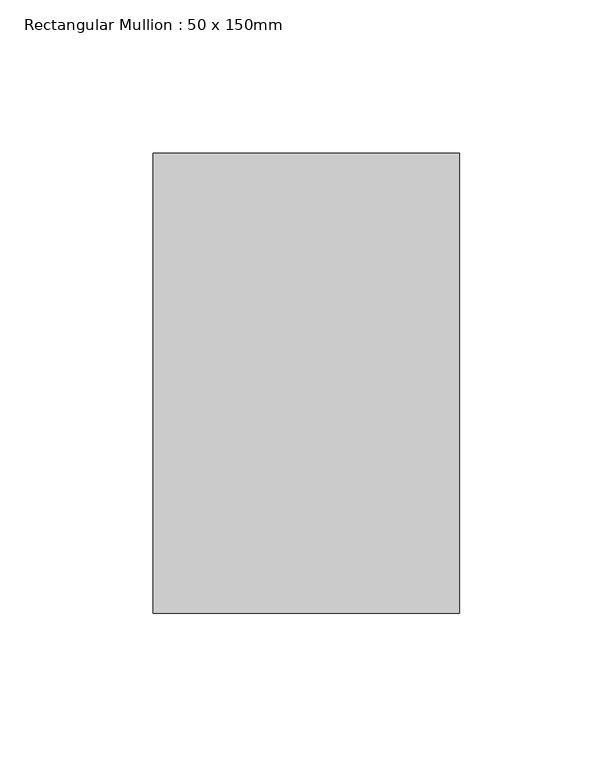
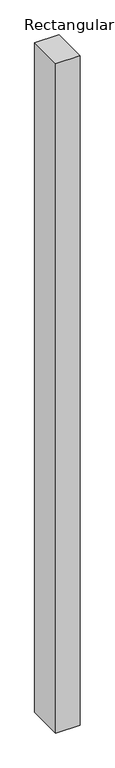
"""IFC4 building model written with IfcOpenShell, lengths in millimetres: member geometry, Rectangular Mullion : 50 x 150mm."""

from ifc_helpers import new_model, si_unit, frame, origin, place, context, project, spatial, polyline, outline, extrude, source, transform, mapped, element, save


def rectangular_mullion_50_x_150mm_f13b7df1(model_context):
    return source(origin(), model_context, "Body", "SweptSolid", [
        extrude(outline(polyline([(0.0, 75.0), (0.0, -75.0), (-100.0, -75.0), (-100.0, 75.0), (0.0, 75.0)])), frame((0.0, 0.0, -2910.6118058), z_axis=(0.0, 0.0, 1.0), x_axis=(1.0, 0.0, 0.0)), (0.0, 0.0, 1.0), 2910.6118058),
    ])


if __name__ == "__main__":
    model = new_model("IFC4")
    model_context = context("Model", 3, world=origin())
    ifc_project = project(units=[si_unit("LENGTHUNIT", "METRE", prefix="MILLI")], contexts=[model_context])
    site = spatial("IfcSite", under=ifc_project)
    building = spatial("IfcBuilding", under=site)
    placement = place(None, origin())
    rectangular_mullion_50_x_150mm_shape = rectangular_mullion_50_x_150mm_f13b7df1(model_context)
    element("IfcMember", 1, ObjectType="Rectangular Mullion : 50 x 150mm", at=placement, inside=building, context=model_context, shape_type="MappedRepresentation", body=[
        mapped(rectangular_mullion_50_x_150mm_shape, transform((0.0, 0.0, 0.0), x_axis=(1.0, 0.0, 0.0), y_axis=(0.0, 1.0, 0.0), z_axis=(0.0, 0.0, 1.0))),
    ])
    save(model, "model.ifc")
